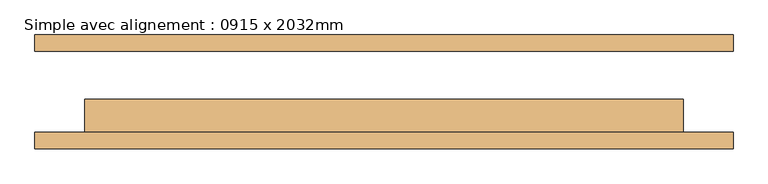
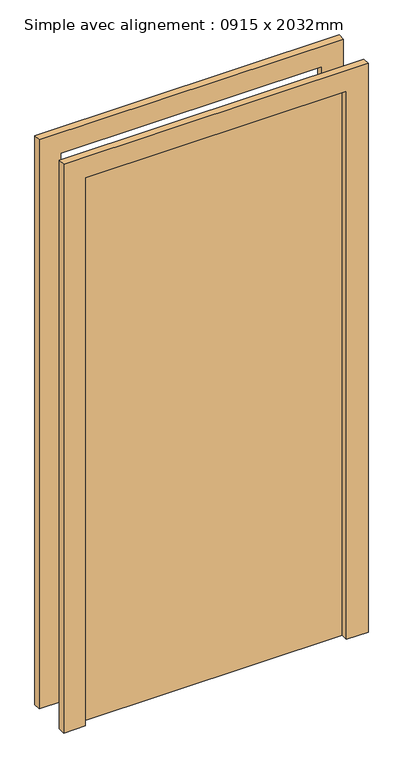
"""IFC4 building model written with IfcOpenShell, lengths in millimetres: door geometry, Simple avec alignement : 0915 x 2032mm."""

import ifcopenshell
import ifcopenshell.guid

model = None  # the IFC model being written
_history = None  # IfcOwnerHistory: only IFC2X3 demands one
_inside = {}  # id of a spatial element -> (the spatial element, [elements in it])
_under = {}  # id of a project, library or spatial element -> (it, [spatial elements below it])
_declared = {}  # id of a project -> (the project, [libraries it declares])
_typed = {}  # id of a type object -> (the type object, [elements of that type])
_made_of = {}  # id of a material, layer set ... -> (it, [elements and type objects made of it])


def new_model(schema):
    """Start an empty IFC model of exactly this schema.

    Asked for "IFC4X3", IfcOpenShell would pick the latest addendum, in which some entities
    have other attributes; the version numbers below select the first issue.
    IFC2X3 requires an IfcOwnerHistory on every rooted entity: one is made here for all.
    """
    global model, _history
    if schema == "IFC4X3":
        model = ifcopenshell.file(schema_version=(4, 3, 0, 0))
    else:
        model = ifcopenshell.file(schema=schema)
    _inside.clear()
    _under.clear()
    _declared.clear()
    _typed.clear()
    _made_of.clear()
    _history = None
    if model.schema == "IFC2X3":
        org = make("IfcOrganization", Name="unknown")
        user = make(
            "IfcPersonAndOrganization",
            ThePerson=make("IfcPerson", FamilyName="unknown"),
            TheOrganization=org,
        )
        app = make(
            "IfcApplication",
            ApplicationDeveloper=org,
            Version="unknown",
            ApplicationFullName="unknown",
            ApplicationIdentifier="unknown",
        )
        _history = make(
            "IfcOwnerHistory",
            OwningUser=user,
            OwningApplication=app,
            ChangeAction="ADDED",
            CreationDate=0,
        )
    return model


def make(cls, **values):
    """One entity of the class cls with the attributes given. An attribute that is None is left unset."""
    return model.create_entity(
        cls, **{name: value for name, value in values.items() if value is not None}
    )


def rooted(cls, **values):
    """An entity with a GlobalId (a new one), such as an element, a storey or a relation."""
    return make(cls, GlobalId=ifcopenshell.guid.new(), OwnerHistory=_history, **values)


def si_unit(unit_type, name, prefix=None):
    """IfcSIUnit, for example si_unit("LENGTHUNIT", "METRE", prefix="MILLI")."""
    return make("IfcSIUnit", UnitType=unit_type, Prefix=prefix, Name=name)


def assignment(units):
    """IfcUnitAssignment: the units of a project."""
    return None if units is None else make("IfcUnitAssignment", Units=units)


def point(xyz):
    """IfcCartesianPoint."""
    return None if xyz is None else make("IfcCartesianPoint", Coordinates=xyz)


def direction(xyz):
    """IfcDirection."""
    return None if xyz is None else make("IfcDirection", DirectionRatios=xyz)


def frame(location, z_axis=None, x_axis=None):
    """IfcAxis2Placement3D, a coordinate frame: its origin and axes. An axis left out is left unset."""
    return make(
        "IfcAxis2Placement3D",
        Location=point(location),
        Axis=direction(z_axis),
        RefDirection=direction(x_axis),
    )


def origin():
    """The frame at (0, 0, 0) with its axes left unset."""
    return frame((0.0, 0.0, 0.0))


def origin_with_axes():
    """The frame at (0, 0, 0) with the z axis (0, 0, 1) and the x axis (1, 0, 0) written out."""
    return frame((0.0, 0.0, 0.0), z_axis=(0.0, 0.0, 1.0), x_axis=(1.0, 0.0, 0.0))


def place(relative_to, where):
    """IfcLocalPlacement: puts the frame where relative to a parent placement (None: the world)."""
    return make(
        "IfcLocalPlacement", PlacementRelTo=relative_to, RelativePlacement=where
    )


def context(
    kind, dimensions, precision=None, world=None, true_north=None, identifier=None
):
    """IfcGeometricRepresentationContext, for example the 3D "Model" context."""
    return make(
        "IfcGeometricRepresentationContext",
        ContextIdentifier=identifier,
        ContextType=kind,
        CoordinateSpaceDimension=dimensions,
        Precision=precision,
        WorldCoordinateSystem=world,
        TrueNorth=true_north,
    )


def project(units=None, contexts=None):
    """IfcProject with its units and contexts."""
    return rooted(
        "IfcProject",
        Name="project",
        RepresentationContexts=contexts,
        UnitsInContext=assignment(units),
    )


def spatial(cls, under=None, at=None, **own):
    """A site, building, storey or space (cls), placed at a placement, below another one or the project."""
    s = rooted(cls, ObjectPlacement=at, **own)
    if under is not None:
        _under.setdefault(under.id(), (under, []))[1].append(s)
    return s


def polyline(points):
    """IfcPolyline through the points."""
    return make("IfcPolyline", Points=[point(p) for p in points])


def outline(outer, holes=None, kind="AREA"):
    """IfcArbitraryClosedProfileDef: a profile drawn as a closed curve; with holes, ...WithVoids."""
    if holes is None:
        return make("IfcArbitraryClosedProfileDef", ProfileType=kind, OuterCurve=outer)
    return make(
        "IfcArbitraryProfileDefWithVoids",
        ProfileType=kind,
        OuterCurve=outer,
        InnerCurves=holes,
    )


def extrude(swept, where, along, depth):
    """IfcExtrudedAreaSolid: the profile swept, set in the frame where, extruded along a direction by depth."""
    return make(
        "IfcExtrudedAreaSolid",
        SweptArea=swept,
        Position=where,
        ExtrudedDirection=direction(along),
        Depth=depth,
    )


def shape(context_of_items, identifier, shape_type, items):
    """IfcShapeRepresentation: the items that make up one representation, for example the "Body"."""
    return make(
        "IfcShapeRepresentation",
        ContextOfItems=context_of_items,
        RepresentationIdentifier=identifier,
        RepresentationType=shape_type,
        Items=items,
    )


def source(mapping_origin, context_of_items, identifier, shape_type, items):
    """IfcRepresentationMap: a shape defined once, which mapped items show again and again."""
    return make(
        "IfcRepresentationMap",
        MappingOrigin=mapping_origin,
        MappedRepresentation=shape(context_of_items, identifier, shape_type, items),
    )


def transform(
    local_origin,
    x_axis=None,
    y_axis=None,
    z_axis=None,
    scale=None,
    scale2=None,
    scale3=None,
    uniform=True,
):
    """IfcCartesianTransformationOperator3D, or its non-uniform kind. x_axis, y_axis, z_axis: its Axis1, 2, 3."""
    if uniform:
        return make(
            "IfcCartesianTransformationOperator3D",
            Axis1=direction(x_axis),
            Axis2=direction(y_axis),
            LocalOrigin=point(local_origin),
            Scale=scale,
            Axis3=direction(z_axis),
        )
    return make(
        "IfcCartesianTransformationOperator3DnonUniform",
        Axis1=direction(x_axis),
        Axis2=direction(y_axis),
        LocalOrigin=point(local_origin),
        Scale=scale,
        Axis3=direction(z_axis),
        Scale2=scale2,
        Scale3=scale3,
    )


def mapped(mapping_source, mapping_target):
    """IfcMappedItem: shows the shape of a source again, moved by a transform."""
    return make(
        "IfcMappedItem", MappingSource=mapping_source, MappingTarget=mapping_target
    )


def made_of(thing, what):
    """Note that an element or type object is made of a material, layer set ...; save() writes the relation."""
    if what is not None:
        _made_of.setdefault(what.id(), (what, []))[1].append(thing)
    return thing


def element(
    cls,
    number,
    at=None,
    inside=None,
    cuts=None,
    type_object=None,
    material=None,
    context=None,
    identifier="Body",
    shape_type=None,
    held_by="IfcProductDefinitionShape",
    body=None,
    shapes=None,
    **own,
):
    """One element of the class cls, such as IfcWall. Its Tag is "e" and its number.

    at: its placement. inside: the storey or other place that contains it. cuts: it is an
    opening in that element (IfcRelVoidsElement). A single representation is given by context,
    identifier, shape_type and body (its items); several are given by shapes. held_by: the class
    of the entity that holds the representations. save() writes the other relations.
    """
    e = rooted(cls, Tag="e%d" % number, ObjectPlacement=at, **own)
    if body is not None:
        shapes = [shape(context, identifier, shape_type, body)]
    if shapes is not None:
        e.Representation = make(held_by, Representations=shapes)
    if inside is not None:
        _inside.setdefault(inside.id(), (inside, []))[1].append(e)
    if cuts is not None:
        rooted(
            "IfcRelVoidsElement", RelatingBuildingElement=cuts, RelatedOpeningElement=e
        )
    if type_object is not None:
        _typed.setdefault(type_object.id(), (type_object, []))[1].append(e)
    return made_of(e, material)


def aggregate(whole, parts):
    """IfcRelAggregates: a whole, such as a stair, and the parts it consists of."""
    return rooted("IfcRelAggregates", RelatingObject=whole, RelatedObjects=parts)


def save(model, path):
    """Write the relations noted so far, then the file.

    IfcRelAggregates (storeys below a building ...), IfcRelContainedInSpatialStructure (elements
    in a storey), IfcRelDefinesByType, IfcRelAssociatesMaterial and IfcRelDeclares: one each for
    every whole, place, type object, material and project.
    """
    for whole, parts in _under.values():
        aggregate(whole, parts)
    for where, things in _inside.values():
        rooted(
            "IfcRelContainedInSpatialStructure",
            RelatedElements=things,
            RelatingStructure=where,
        )
    for kind, things in _typed.values():
        rooted("IfcRelDefinesByType", RelatedObjects=things, RelatingType=kind)
    for what, things in _made_of.values():
        rooted("IfcRelAssociatesMaterial", RelatedObjects=things, RelatingMaterial=what)
    for by, libraries in _declared.values():
        rooted("IfcRelDeclares", RelatingContext=by, RelatedDefinitions=libraries)
    model.write(path)


def simple_avec_alignement_0915_x_2032mm_54a83eaf(model_context):
    return source(origin(), model_context, "Body", "SweptSolid", [
        extrude(outline(polyline([(2108.0, -533.5), (0.0, -533.5), (0.0, -457.5), (2032.0, -457.5), (2032.0, 457.5), (0.0, 457.5), (0.0, 533.5), (2108.0, 533.5), (2108.0, -533.5)])), frame((0.0, -87.0, 0.0), z_axis=(0.0, 1.0, 0.0), x_axis=(0.0, 0.0, 1.0)), (0.0, 0.0, 1.0), 25.0),
        extrude(outline(polyline([(2108.0, 533.5), (2108.0, -533.5), (0.0, -533.5), (0.0, -457.5), (2032.0, -457.5), (2032.0, 457.5), (0.0, 457.5), (0.0, 533.5), (2108.0, 533.5)])), frame((0.0, 62.0, 0.0), z_axis=(0.0, 1.0, 0.0), x_axis=(0.0, 0.0, 1.0)), (0.0, 0.0, 1.0), 25.0),
        extrude(outline(polyline([(457.5, -11.0), (457.5, -62.0), (-457.5, -62.0), (-457.5, -11.0), (457.5, -11.0)])), origin_with_axes(), (0.0, 0.0, 1.0), 2032.0),
    ])


if __name__ == "__main__":
    model = new_model("IFC4")
    model_context = context("Model", 3, world=origin())
    ifc_project = project(units=[si_unit("LENGTHUNIT", "METRE", prefix="MILLI")], contexts=[model_context])
    site = spatial("IfcSite", under=ifc_project)
    building = spatial("IfcBuilding", under=site)
    placement = place(None, origin())
    simple_avec_alignement_0915_x_2032mm_shape = simple_avec_alignement_0915_x_2032mm_54a83eaf(model_context)
    element("IfcDoor", 1, ObjectType="Simple avec alignement : 0915 x 2032mm", at=placement, inside=building, context=model_context, shape_type="MappedRepresentation", body=[
        mapped(simple_avec_alignement_0915_x_2032mm_shape, transform((0.0, 0.0, 0.0), x_axis=(1.0, 0.0, 0.0), y_axis=(0.0, 1.0, 0.0), z_axis=(0.0, 0.0, 1.0))),
    ])
    save(model, "model.ifc")
